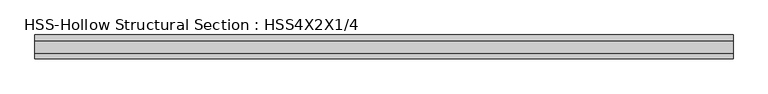
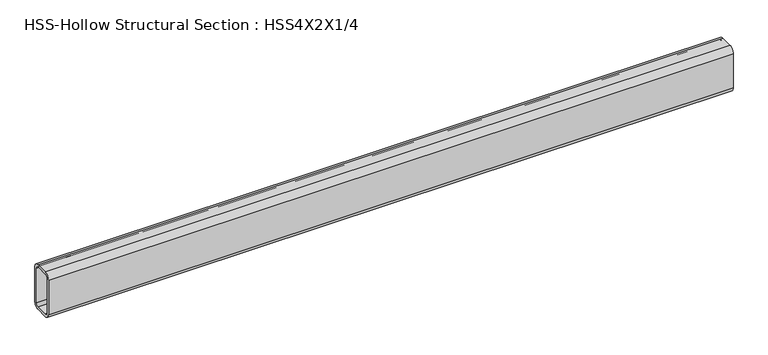
"""IFC4 building model written with IfcOpenShell, lengths in millimetres: beam geometry, HSS-Hollow Structural Section : HSS4X2X1/4."""

from ifc_helpers import new_model, si_unit, point, frame, frame_2d, origin, place, context, project, spatial, polyline, circle_curve, trimmed, segment, composite_curve, outline, extrude, source, transform, mapped, element, save


def hss_hollow_structural_section_hss4x2x1_4_177eb8fb(model_context):
    return source(origin(), model_context, "Body", "SweptSolid", [
        extrude(outline(composite_curve([segment(polyline([(25.4, 38.9636), (25.4, -38.9636)]), True, "CONTINUOUS"), segment(trimmed(circle_curve(frame_2d((13.5636, -38.9636)), 11.8364), [point((25.4, -38.9636))], [point((13.5636, -50.8))], False, "CARTESIAN"), True, "CONTINUOUS"), segment(polyline([(13.5636, -50.8), (-13.5636, -50.8)]), True, "CONTINUOUS"), segment(trimmed(circle_curve(frame_2d((-13.5636, -38.9636)), 11.8364), [point((-13.5636, -50.8))], [point((-25.4, -38.9636))], False, "CARTESIAN"), True, "CONTINUOUS"), segment(polyline([(-25.4, -38.9636), (-25.4, 38.9636)]), True, "CONTINUOUS"), segment(trimmed(circle_curve(frame_2d((-13.5636, 38.9636)), 11.8364), [point((-25.4, 38.9636))], [point((-13.5636, 50.8))], False, "CARTESIAN"), True, "CONTINUOUS"), segment(polyline([(-13.5636, 50.8), (13.5636, 50.8)]), True, "CONTINUOUS"), segment(trimmed(circle_curve(frame_2d((13.5636, 38.9636)), 11.8364), [point((13.5636, 50.8))], [point((25.4, 38.9636))], False, "CARTESIAN"), True, "CONTINUOUS")], self_intersect=False), holes=[composite_curve([segment(trimmed(circle_curve(frame_2d((-13.5636, 38.9636)), 5.9182), [point((-13.5636, 44.8818))], [point((-19.4818, 38.9636))], True, "CARTESIAN"), True, "CONTINUOUS"), segment(polyline([(-19.4818, 38.9636), (-19.4818, -38.9636)]), True, "CONTINUOUS"), segment(trimmed(circle_curve(frame_2d((-13.5636, -38.9636)), 5.9182), [point((-19.4818, -38.9636))], [point((-13.5636, -44.8818))], True, "CARTESIAN"), True, "CONTINUOUS"), segment(polyline([(-13.5636, -44.8818), (13.5636, -44.8818)]), True, "CONTINUOUS"), segment(trimmed(circle_curve(frame_2d((13.5636, -38.9636)), 5.9182), [point((13.5636, -44.8818))], [point((19.4818, -38.9636))], True, "CARTESIAN"), True, "CONTINUOUS"), segment(polyline([(19.4818, -38.9636), (19.4818, 38.9636)]), True, "CONTINUOUS"), segment(trimmed(circle_curve(frame_2d((13.5636, 38.9636)), 5.9182), [point((19.4818, 38.9636))], [point((13.5636, 44.8818))], True, "CARTESIAN"), True, "CONTINUOUS"), segment(polyline([(13.5636, 44.8818), (-13.5636, 44.8818)]), True, "CONTINUOUS")], self_intersect=False)]), frame((-738.0368655, 0.0, 0.0), z_axis=(1.0, 0.0, 0.0), x_axis=(0.0, 1.0, 0.0)), (0.0, 0.0, 1.0), 1475.6420748),
    ])


if __name__ == "__main__":
    model = new_model("IFC4")
    model_context = context("Model", 3, world=origin())
    ifc_project = project(units=[si_unit("LENGTHUNIT", "METRE", prefix="MILLI")], contexts=[model_context])
    site = spatial("IfcSite", under=ifc_project)
    building = spatial("IfcBuilding", under=site)
    placement = place(None, origin())
    hss_hollow_structural_section_hss4x2x1_4_shape = hss_hollow_structural_section_hss4x2x1_4_177eb8fb(model_context)
    element("IfcBeam", 1, ObjectType="HSS-Hollow Structural Section : HSS4X2X1/4", at=placement, inside=building, context=model_context, shape_type="MappedRepresentation", body=[
        mapped(hss_hollow_structural_section_hss4x2x1_4_shape, transform((0.0, 0.0, 0.0), x_axis=(1.0, 0.0, 0.0), y_axis=(0.0, 1.0, 0.0), z_axis=(0.0, 0.0, 1.0))),
    ])
    save(model, "model.ifc")
